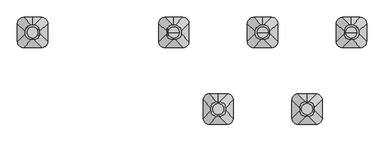
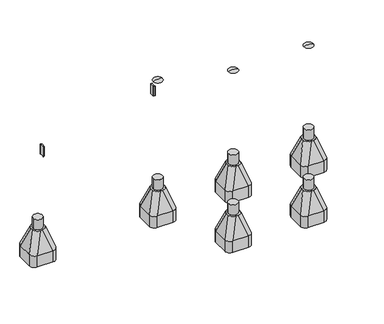
"""IFC4 building model written with IfcOpenShell, lengths in millimetres: furniture geometry."""

from ifc_helpers import new_model, si_unit, point, frame, frame_2d, origin, origin_2d, place, context, project, spatial, polyline, circle_curve, ellipse_curve, trimmed, segment, composite_curve, outline, extrude, source, transform, mapped, element, save
from ifc_brep_helpers import plane_surface, cylinder_surface, revolved_surface, extruded_surface, advanced_brep


def furniture_b865f878(model_context):
    return source(origin(), model_context, "Body", "SolidModel", [
        extrude(outline(composite_curve([segment(trimmed(circle_curve(frame_2d((-47.0222511, -30.3699948)), 1.0), [point((-46.18208, -29.8276734))], [point((-47.3642712, -31.3096874))], False, "CARTESIAN"), True, "CONTINUOUS"), segment(polyline([(-47.3642712, -31.3096874), (-64.0420201, -25.2394832)]), True, "CONTINUOUS"), segment(trimmed(circle_curve(frame_2d((-63.7, -24.2997906)), 1.0), [point((-64.0420201, -25.2394832))], [point((-64.7, -24.2997906))], False, "CARTESIAN"), True, "CONTINUOUS"), segment(polyline([(-64.7, -24.2997906), (-64.7, 24.2997943)]), True, "CONTINUOUS"), segment(trimmed(circle_curve(frame_2d((-63.7, 24.2997943)), 1.0), [point((-64.7, 24.2997943))], [point((-64.0420201, 25.2394869))], False, "CARTESIAN"), True, "CONTINUOUS"), segment(polyline([(-64.0420201, 25.2394869), (-47.3642712, 31.3096911)]), True, "CONTINUOUS"), segment(trimmed(circle_curve(frame_2d((-47.0222511, 30.3699985)), 1.0), [point((-47.3642712, 31.3096911))], [point((-46.18208, 29.8276771))], False, "CARTESIAN"), True, "CONTINUOUS"), segment(trimmed(circle_curve(frame_2d((0.0273324, 1.9e-06)), 55.0), [point((-46.18208, 29.8276771))], [point((-46.18208, -29.8276734))], True, "CARTESIAN"), True, "CONTINUOUS")], self_intersect=False)), frame((0.0, 0.0, 940.0), z_axis=(0.0, 0.0, 1.0), x_axis=(1.0, 0.0, 0.0)), (0.0, 0.0, 1.0), 120.0),
        extrude(outline(composite_curve([segment(trimmed(circle_curve(frame_2d((-1352.9777489, 30.3699948)), 1.0), [point((-1353.81792, 29.8276734))], [point((-1352.6357288, 31.3096874))], False, "CARTESIAN"), True, "CONTINUOUS"), segment(polyline([(-1352.6357288, 31.3096874), (-1335.9579799, 25.2394832)]), True, "CONTINUOUS"), segment(trimmed(circle_curve(frame_2d((-1336.3, 24.2997906)), 1.0), [point((-1335.9579799, 25.2394832))], [point((-1335.3, 24.2997906))], False, "CARTESIAN"), True, "CONTINUOUS"), segment(polyline([(-1335.3, 24.2997906), (-1335.3, -24.2997943)]), True, "CONTINUOUS"), segment(trimmed(circle_curve(frame_2d((-1336.3, -24.2997943)), 1.0), [point((-1335.3, -24.2997943))], [point((-1335.9579799, -25.2394869))], False, "CARTESIAN"), True, "CONTINUOUS"), segment(polyline([(-1335.9579799, -25.2394869), (-1352.6357288, -31.3096911)]), True, "CONTINUOUS"), segment(trimmed(circle_curve(frame_2d((-1352.9777489, -30.3699985)), 1.0), [point((-1352.6357288, -31.3096911))], [point((-1353.81792, -29.8276771))], False, "CARTESIAN"), True, "CONTINUOUS"), segment(trimmed(circle_curve(frame_2d((-1400.0273324, -1.9e-06)), 55.0), [point((-1353.81792, -29.8276771))], [point((-1353.81792, 29.8276734))], True, "CARTESIAN"), True, "CONTINUOUS")], self_intersect=False)), frame((0.0, 0.0, 640.0), z_axis=(0.0, 0.0, 1.0), x_axis=(1.0, 0.0, 0.0)), (0.0, 0.0, 1.0), 120.0),
        advanced_brep(
        [(1815.0, 0.0, 912.0), (1705.0, 0.0, 912.0), (1760.0, 0.0, 924.0246565), (1760.0, 0.0, 912.0)],
        [
            (0, 1, circle_curve(frame((1760.0, 0.0, 912.0), z_axis=(0.0, 0.0, 1.0), x_axis=(-1.0, 0.0, 0.0)), 55.0)),
            (1, 2, circle_curve(frame((1755.4549856, 0.0, 813.0177111), z_axis=(0.0, 1.0, 0.0), x_axis=(-1.0, 0.0, 0.0)), 111.0999509)),
            (2, 0, circle_curve(frame((1764.5450144, 0.0, 813.0177111), z_axis=(0.0, 1.0, 0.0), x_axis=(1.0, 0.0, 0.0)), 111.0999509)),
            (1, 0, circle_curve(frame((1760.0, 0.0, 912.0), z_axis=(0.0, 0.0, 1.0), x_axis=(-1.0, 0.0, 0.0)), 55.0)),
            (3, 1),
            (0, 3),
        ],
        [
            revolved_surface(trimmed(ellipse_curve(frame((1755.4549856, 0.0, 813.0177111), z_axis=(0.0, -1.0, 0.0), x_axis=(-1.0, 0.0, 0.0)), 111.0999509, 111.0999509), [point((1760.0, 0.0, 924.0246565))], [point((1705.0, 0.0, 912.0))], True, "CARTESIAN"), (1760.0, 0.0, 531.0), (0.0, 0.0, -1.0)),
            plane_surface(frame((1760.0, 0.0, 912.0), z_axis=(0.0, 0.0, -1.0), x_axis=(-1.0, 0.0, 0.0))),
        ],
        [
            (0, [[1, 2, 3]]),
            (0, [[4, -3, -2]]),
            (1, [[5, -1, 6]]),
            (1, [[-6, -4, -5]]),
        ],
    ),
        advanced_brep(
        [(935.0, 0.0, 912.0), (825.0, 0.0, 912.0), (880.0, 0.0, 924.0246565), (880.0, 0.0, 912.0)],
        [
            (0, 1, circle_curve(frame((880.0, 0.0, 912.0), z_axis=(0.0, 0.0, 1.0), x_axis=(-1.0, 0.0, 0.0)), 55.0)),
            (1, 2, circle_curve(frame((875.4549856, 0.0, 813.0177111), z_axis=(0.0, 1.0, 0.0), x_axis=(-1.0, 0.0, 0.0)), 111.0999509)),
            (2, 0, circle_curve(frame((884.5450144, 0.0, 813.0177111), z_axis=(0.0, 1.0, 0.0), x_axis=(1.0, 0.0, 0.0)), 111.0999509)),
            (1, 0, circle_curve(frame((880.0, 0.0, 912.0), z_axis=(0.0, 0.0, 1.0), x_axis=(-1.0, 0.0, 0.0)), 55.0)),
            (3, 1),
            (0, 3),
        ],
        [
            revolved_surface(trimmed(ellipse_curve(frame((875.4549856, 0.0, 813.0177111), z_axis=(0.0, -1.0, 0.0), x_axis=(-1.0, 0.0, 0.0)), 111.0999509, 111.0999509), [point((880.0, 0.0, 924.0246565))], [point((825.0, 0.0, 912.0))], True, "CARTESIAN"), (880.0, 0.0, 531.0), (0.0, 0.0, -1.0)),
            plane_surface(frame((880.0, 0.0, 912.0), z_axis=(0.0, 0.0, -1.0), x_axis=(-1.0, 0.0, 0.0))),
        ],
        [
            (0, [[1, 2, 3]]),
            (0, [[4, -3, -2]]),
            (1, [[5, -1, 6]]),
            (1, [[-6, -4, -5]]),
        ],
    ),
        advanced_brep(
        [(12.5, 72.4599432, -225.0), (0.0, 72.4599432, -225.0), (-12.5, 72.4599432, -225.0), (-72.5, 12.4599432, -225.0), (-72.5, -12.5400568, -225.0), (-12.5, -72.5400568, -225.0), (12.5, -72.5400568, -225.0), (72.5, -12.5400568, -225.0), (72.5, 12.4599432, -225.0), (90.0, 150.0, -460.0), (0.0, 150.0, -460.0), (-90.0, 150.0, -460.0), (-150.0, 90.0, -460.0), (-150.0, -90.0, -460.0), (-90.0, -150.0, -460.0), (90.0, -150.0, -460.0), (150.0, -90.0, -460.0), (150.0, 90.0, -460.0), (90.0, 150.0, -600.0), (150.0, 90.0, -600.0), (150.0, -90.0, -600.0), (90.0, -150.0, -600.0), (-90.0, -150.0, -600.0), (-150.0, -90.0, -600.0), (-150.0, 90.0, -600.0), (-90.0, 150.0, -600.0), (0.0, 150.0, -600.0)],
        [
            (0, 1),
            (1, 2),
            (2, 3, circle_curve(frame((-12.5, 12.4599432, -225.0), z_axis=(0.0, 0.0, 1.0), x_axis=(1.0, 0.0, 0.0)), 60.0)),
            (3, 4),
            (4, 5, circle_curve(frame((-12.5, -12.5400568, -225.0), z_axis=(0.0, 0.0, 1.0), x_axis=(1.0, 0.0, 0.0)), 60.0)),
            (5, 6),
            (6, 7, circle_curve(frame((12.5, -12.5400568, -225.0), z_axis=(0.0, 0.0, 1.0), x_axis=(1.0, 0.0, 0.0)), 60.0)),
            (7, 8),
            (8, 0, circle_curve(frame((12.5, 12.4599432, -225.0), z_axis=(0.0, 0.0, 1.0), x_axis=(1.0, 0.0, 0.0)), 60.0)),
            (0, 9),
            (9, 10),
            (10, 1),
            (10, 11),
            (11, 2),
            (11, 12, circle_curve(frame((-90.0, 90.0, -460.0), z_axis=(0.0, 0.0, 1.0), x_axis=(1.0, 0.0, 0.0)), 60.0)),
            (12, 3),
            (12, 13),
            (13, 4),
            (13, 14, circle_curve(frame((-90.0, -90.0, -460.0), z_axis=(0.0, 0.0, 1.0), x_axis=(1.0, 0.0, 0.0)), 60.0)),
            (14, 5),
            (14, 15),
            (15, 6),
            (15, 16, circle_curve(frame((90.0, -90.0, -460.0), z_axis=(0.0, 0.0, 1.0), x_axis=(1.0, 0.0, 0.0)), 60.0)),
            (16, 7),
            (16, 17),
            (17, 8),
            (17, 9, circle_curve(frame((90.0, 90.0, -460.0), z_axis=(0.0, 0.0, 1.0), x_axis=(1.0, 0.0, 0.0)), 60.0)),
            (18, 19, circle_curve(frame((90.0, 90.0, -600.0), z_axis=(0.0, 0.0, -1.0), x_axis=(1.0, 0.0, 0.0)), 60.0)),
            (19, 20),
            (20, 21, circle_curve(frame((90.0, -90.0, -600.0), z_axis=(0.0, 0.0, -1.0), x_axis=(1.0, 0.0, 0.0)), 60.0)),
            (21, 22),
            (22, 23, circle_curve(frame((-90.0, -90.0, -600.0), z_axis=(0.0, 0.0, -1.0), x_axis=(1.0, 0.0, 0.0)), 60.0)),
            (23, 24),
            (24, 25, circle_curve(frame((-90.0, 90.0, -600.0), z_axis=(0.0, 0.0, -1.0), x_axis=(1.0, 0.0, 0.0)), 60.0)),
            (25, 26),
            (26, 18),
            (26, 10),
            (9, 18),
            (25, 11),
            (23, 13),
            (12, 24),
            (21, 15),
            (14, 22),
            (19, 17),
            (16, 20),
        ],
        [
            plane_surface(frame((0.0, 8.0154988, -225.0), z_axis=(0.0, 0.0, 1.0), x_axis=(-1.0, 0.0, 0.0))),
            plane_surface(frame((6.25, 72.4599432, -225.0), z_axis=(0.0, 0.9496406059136844, 0.3133412191204512), x_axis=(1.0, 0.0, 0.0))),
            plane_surface(frame((-6.25, 72.4599432, -225.0), z_axis=(0.0, 0.9496406059136843, 0.3133412191204512), x_axis=(1.0, 0.0, 0.0))),
            extruded_surface(trimmed(circle_curve(frame((-12.5, 12.4599432, -225.0), z_axis=(0.0, 0.0, -1.0), x_axis=(1.0, 0.0, 0.0)), 60.0), [point((-72.5, 12.4599432, -225.0))], [point((-12.5, 72.4599432, -225.0))], True, "CARTESIAN"), (-77.5, 77.5400568, -235.0), 259.3139225119763),
            plane_surface(frame((-72.5, -0.0400568, -225.0), z_axis=(-0.9496887635303409, 0.0, 0.31319523052596476), x_axis=(0.0, 1.0, 0.0))),
            extruded_surface(trimmed(circle_curve(frame((-12.5, -12.5400568, -225.0), z_axis=(0.0, 0.0, -1.0), x_axis=(1.0, 0.0, 0.0)), 60.0), [point((-12.5, -72.5400568, -225.0))], [point((-72.5, -12.5400568, -225.0))], True, "CARTESIAN"), (-77.5, -77.4599432, -235.0), 259.2899782107809),
            plane_surface(frame((0.0, -72.5400568, -225.0), z_axis=(0.0, -0.9497369035840961, 0.3130492197250991), x_axis=(-1.0, 0.0, 0.0))),
            extruded_surface(trimmed(circle_curve(frame((12.5, -12.5400568, -225.0), z_axis=(0.0, 0.0, -1.0), x_axis=(1.0, 0.0, 0.0)), 60.0), [point((72.5, -12.5400568, -225.0))], [point((12.5, -72.5400568, -225.0))], True, "CARTESIAN"), (77.5, -77.4599432, -235.0), 259.2899782107809),
            plane_surface(frame((72.5, -0.0400568, -225.0), z_axis=(0.9496887635303416, 0.0, 0.3131952305259627), x_axis=(0.0, -1.0, 0.0))),
            extruded_surface(trimmed(circle_curve(frame((12.5, 12.4599432, -225.0), z_axis=(0.0, 0.0, -1.0), x_axis=(1.0, 0.0, 0.0)), 60.0), [point((12.5, 72.4599432, -225.0))], [point((72.5, 12.4599432, -225.0))], True, "CARTESIAN"), (77.5, 77.5400568, -235.0), 259.3139225119763),
            plane_surface(frame((0.0, 150.0, -600.0), z_axis=(0.0, 0.0, -1.0), x_axis=(1.0, 0.0, 0.0))),
            plane_surface(frame((90.0, 150.0, -460.0), z_axis=(0.0, 1.0, 0.0), x_axis=(0.0, 0.0, -1.0))),
            plane_surface(frame((0.0, 150.0, -460.0), z_axis=(0.0, 1.0, 0.0), x_axis=(0.0, 0.0, -1.0))),
            plane_surface(frame((-150.0, 90.0, -460.0), z_axis=(-1.0, 0.0, 0.0), x_axis=(0.0, 0.0, -1.0))),
            plane_surface(frame((-90.0, -150.0, -460.0), z_axis=(0.0, -1.0, 0.0), x_axis=(0.0, 0.0, -1.0))),
            plane_surface(frame((150.0, -90.0, -460.0), z_axis=(1.0, 0.0, 0.0), x_axis=(0.0, 0.0, -1.0))),
            cylinder_surface(frame((-90.0, 90.0, -600.0), z_axis=(0.0, 0.0, 1.0), x_axis=(1.0, 0.0, 0.0)), 60.0),
            cylinder_surface(frame((-90.0, -90.0, -600.0), z_axis=(0.0, 0.0, 1.0), x_axis=(1.0, 0.0, 0.0)), 60.0),
            cylinder_surface(frame((90.0, -90.0, -600.0), z_axis=(0.0, 0.0, 1.0), x_axis=(1.0, 0.0, 0.0)), 60.0),
            cylinder_surface(frame((90.0, 90.0, -600.0), z_axis=(0.0, 0.0, 1.0), x_axis=(1.0, 0.0, 0.0)), 60.0),
        ],
        [
            (0, [[1, 2, 3, 4, 5, 6, 7, 8, 9]]),
            (1, [[-1, 10, 11, 12]]),
            (2, [[-2, -12, 13, 14]]),
            (3, [[-3, -14, 15, 16]]),
            (4, [[-4, -16, 17, 18]]),
            (5, [[-5, -18, 19, 20]]),
            (6, [[-6, -20, 21, 22]]),
            (7, [[-7, -22, 23, 24]]),
            (8, [[-8, -24, 25, 26]]),
            (9, [[-9, -26, 27, -10]]),
            (10, [[28, 29, 30, 31, 32, 33, 34, 35, 36]]),
            (11, [[-36, 37, -11, 38]]),
            (12, [[-35, 39, -13, -37]]),
            (13, [[-33, 40, -17, 41]]),
            (14, [[-31, 42, -21, 43]]),
            (15, [[-29, 44, -25, 45]]),
            (16, [[-34, -41, -15, -39]]),
            (17, [[-32, -43, -19, -40]]),
            (18, [[-30, -45, -23, -42]]),
            (19, [[-28, -38, -27, -44]]),
        ],
    ),
        extrude(outline(composite_curve([segment(trimmed(circle_curve(origin_2d(), 55.0), [point((-55.0, 0.0))], [point((55.0, 0.0))], False, "CARTESIAN"), True, "CONTINUOUS"), segment(trimmed(circle_curve(origin_2d(), 55.0), [point((55.0, 0.0))], [point((-55.0, 0.0))], False, "CARTESIAN"), True, "CONTINUOUS")], self_intersect=False)), frame((0.0, 0.0, -600.0), z_axis=(0.0, 0.0, 1.0), x_axis=(1.0, 0.0, 0.0)), (0.0, 0.0, 1.0), 500.0),
        advanced_brep(
        [(-1387.5, 72.4599432, -225.0), (-1400.0, 72.4599432, -225.0), (-1412.5, 72.4599432, -225.0), (-1472.5, 12.4599432, -225.0), (-1472.5, -12.5400568, -225.0), (-1412.5, -72.5400568, -225.0), (-1387.5, -72.5400568, -225.0), (-1327.5, -12.5400568, -225.0), (-1327.5, 12.4599432, -225.0), (-1310.0, 150.0, -460.0), (-1400.0, 150.0, -460.0), (-1490.0, 150.0, -460.0), (-1550.0, 90.0, -460.0), (-1550.0, -90.0, -460.0), (-1490.0, -150.0, -460.0), (-1310.0, -150.0, -460.0), (-1250.0, -90.0, -460.0), (-1250.0, 90.0, -460.0), (-1310.0, 150.0, -600.0), (-1250.0, 90.0, -600.0), (-1250.0, -90.0, -600.0), (-1310.0, -150.0, -600.0), (-1490.0, -150.0, -600.0), (-1550.0, -90.0, -600.0), (-1550.0, 90.0, -600.0), (-1490.0, 150.0, -600.0), (-1400.0, 150.0, -600.0)],
        [
            (0, 1),
            (1, 2),
            (2, 3, circle_curve(frame((-1412.5, 12.4599432, -225.0), z_axis=(0.0, 0.0, 1.0), x_axis=(1.0, 0.0, 0.0)), 60.0)),
            (3, 4),
            (4, 5, circle_curve(frame((-1412.5, -12.5400568, -225.0), z_axis=(0.0, 0.0, 1.0), x_axis=(1.0, 0.0, 0.0)), 60.0)),
            (5, 6),
            (6, 7, circle_curve(frame((-1387.5, -12.5400568, -225.0), z_axis=(0.0, 0.0, 1.0), x_axis=(1.0, 0.0, 0.0)), 60.0)),
            (7, 8),
            (8, 0, circle_curve(frame((-1387.5, 12.4599432, -225.0), z_axis=(0.0, 0.0, 1.0), x_axis=(1.0, 0.0, 0.0)), 60.0)),
            (0, 9),
            (9, 10),
            (10, 1),
            (10, 11),
            (11, 2),
            (11, 12, circle_curve(frame((-1490.0, 90.0, -460.0), z_axis=(0.0, 0.0, 1.0), x_axis=(1.0, 0.0, 0.0)), 60.0)),
            (12, 3),
            (12, 13),
            (13, 4),
            (13, 14, circle_curve(frame((-1490.0, -90.0, -460.0), z_axis=(0.0, 0.0, 1.0), x_axis=(1.0, 0.0, 0.0)), 60.0)),
            (14, 5),
            (14, 15),
            (15, 6),
            (15, 16, circle_curve(frame((-1310.0, -90.0, -460.0), z_axis=(0.0, 0.0, 1.0), x_axis=(1.0, 0.0, 0.0)), 60.0)),
            (16, 7),
            (16, 17),
            (17, 8),
            (17, 9, circle_curve(frame((-1310.0, 90.0, -460.0), z_axis=(0.0, 0.0, 1.0), x_axis=(1.0, 0.0, 0.0)), 60.0)),
            (18, 19, circle_curve(frame((-1310.0, 90.0, -600.0), z_axis=(0.0, 0.0, -1.0), x_axis=(1.0, 0.0, 0.0)), 60.0)),
            (19, 20),
            (20, 21, circle_curve(frame((-1310.0, -90.0, -600.0), z_axis=(0.0, 0.0, -1.0), x_axis=(1.0, 0.0, 0.0)), 60.0)),
            (21, 22),
            (22, 23, circle_curve(frame((-1490.0, -90.0, -600.0), z_axis=(0.0, 0.0, -1.0), x_axis=(1.0, 0.0, 0.0)), 60.0)),
            (23, 24),
            (24, 25, circle_curve(frame((-1490.0, 90.0, -600.0), z_axis=(0.0, 0.0, -1.0), x_axis=(1.0, 0.0, 0.0)), 60.0)),
            (25, 26),
            (26, 18),
            (26, 10),
            (9, 18),
            (25, 11),
            (23, 13),
            (12, 24),
            (21, 15),
            (14, 22),
            (19, 17),
            (16, 20),
        ],
        [
            plane_surface(frame((-1400.0, 8.0154988, -225.0), z_axis=(0.0, 0.0, 1.0), x_axis=(-1.0, 0.0, 0.0))),
            plane_surface(frame((-1393.75, 72.4599432, -225.0), z_axis=(0.0, 0.9496406059136844, 0.3133412191204512), x_axis=(1.0, 0.0, 0.0))),
            plane_surface(frame((-1406.25, 72.4599432, -225.0), z_axis=(0.0, 0.9496406059136843, 0.3133412191204512), x_axis=(1.0, 0.0, 0.0))),
            extruded_surface(trimmed(circle_curve(frame((-1412.5, 12.4599432, -225.0), z_axis=(0.0, 0.0, -1.0), x_axis=(1.0, 0.0, 0.0)), 60.0), [point((-1472.5, 12.4599432, -225.0))], [point((-1412.5, 72.4599432, -225.0))], True, "CARTESIAN"), (-77.5, 77.5400568, -235.0), 259.3139225119763),
            plane_surface(frame((-1472.5, -0.0400568, -225.0), z_axis=(-0.9496887635303409, 0.0, 0.31319523052596476), x_axis=(0.0, 1.0, 0.0))),
            extruded_surface(trimmed(circle_curve(frame((-1412.5, -12.5400568, -225.0), z_axis=(0.0, 0.0, -1.0), x_axis=(1.0, 0.0, 0.0)), 60.0), [point((-1412.5, -72.5400568, -225.0))], [point((-1472.5, -12.5400568, -225.0))], True, "CARTESIAN"), (-77.5, -77.4599432, -235.0), 259.2899782107809),
            plane_surface(frame((-1400.0, -72.5400568, -225.0), z_axis=(0.0, -0.9497369035840961, 0.3130492197250991), x_axis=(-1.0, 0.0, 0.0))),
            extruded_surface(trimmed(circle_curve(frame((-1387.5, -12.5400568, -225.0), z_axis=(0.0, 0.0, -1.0), x_axis=(1.0, 0.0, 0.0)), 60.0), [point((-1327.5, -12.5400568, -225.0))], [point((-1387.5, -72.5400568, -225.0))], True, "CARTESIAN"), (77.5, -77.4599432, -235.0), 259.2899782107809),
            plane_surface(frame((-1327.5, -0.0400568, -225.0), z_axis=(0.9496887635303416, 0.0, 0.3131952305259627), x_axis=(0.0, -1.0, 0.0))),
            extruded_surface(trimmed(circle_curve(frame((-1387.5, 12.4599432, -225.0), z_axis=(0.0, 0.0, -1.0), x_axis=(1.0, 0.0, 0.0)), 60.0), [point((-1387.5, 72.4599432, -225.0))], [point((-1327.5, 12.4599432, -225.0))], True, "CARTESIAN"), (77.5, 77.5400568, -235.0), 259.3139225119763),
            plane_surface(frame((-1400.0, 150.0, -600.0), z_axis=(0.0, 0.0, -1.0), x_axis=(1.0, 0.0, 0.0))),
            plane_surface(frame((-1310.0, 150.0, -460.0), z_axis=(0.0, 1.0, 0.0), x_axis=(0.0, 0.0, -1.0))),
            plane_surface(frame((-1400.0, 150.0, -460.0), z_axis=(0.0, 1.0, 0.0), x_axis=(0.0, 0.0, -1.0))),
            plane_surface(frame((-1550.0, 90.0, -460.0), z_axis=(-1.0, 0.0, 0.0), x_axis=(0.0, 0.0, -1.0))),
            plane_surface(frame((-1490.0, -150.0, -460.0), z_axis=(0.0, -1.0, 0.0), x_axis=(0.0, 0.0, -1.0))),
            plane_surface(frame((-1250.0, -90.0, -460.0), z_axis=(1.0, 0.0, 0.0), x_axis=(0.0, 0.0, -1.0))),
            cylinder_surface(frame((-1490.0, 90.0, -600.0), z_axis=(0.0, 0.0, 1.0), x_axis=(1.0, 0.0, 0.0)), 60.0),
            cylinder_surface(frame((-1490.0, -90.0, -600.0), z_axis=(0.0, 0.0, 1.0), x_axis=(1.0, 0.0, 0.0)), 60.0),
            cylinder_surface(frame((-1310.0, -90.0, -600.0), z_axis=(0.0, 0.0, 1.0), x_axis=(1.0, 0.0, 0.0)), 60.0),
            cylinder_surface(frame((-1310.0, 90.0, -600.0), z_axis=(0.0, 0.0, 1.0), x_axis=(1.0, 0.0, 0.0)), 60.0),
        ],
        [
            (0, [[1, 2, 3, 4, 5, 6, 7, 8, 9]]),
            (1, [[-1, 10, 11, 12]]),
            (2, [[-2, -12, 13, 14]]),
            (3, [[-3, -14, 15, 16]]),
            (4, [[-4, -16, 17, 18]]),
            (5, [[-5, -18, 19, 20]]),
            (6, [[-6, -20, 21, 22]]),
            (7, [[-7, -22, 23, 24]]),
            (8, [[-8, -24, 25, 26]]),
            (9, [[-9, -26, 27, -10]]),
            (10, [[28, 29, 30, 31, 32, 33, 34, 35, 36]]),
            (11, [[-36, 37, -11, 38]]),
            (12, [[-35, 39, -13, -37]]),
            (13, [[-33, 40, -17, 41]]),
            (14, [[-31, 42, -21, 43]]),
            (15, [[-29, 44, -25, 45]]),
            (16, [[-34, -41, -15, -39]]),
            (17, [[-32, -43, -19, -40]]),
            (18, [[-30, -45, -23, -42]]),
            (19, [[-28, -38, -27, -44]]),
        ],
    ),
        extrude(outline(composite_curve([segment(trimmed(circle_curve(frame_2d((-1400.0, 0.0)), 55.0), [point((-1455.0, 0.0))], [point((-1345.0, 0.0))], False, "CARTESIAN"), True, "CONTINUOUS"), segment(trimmed(circle_curve(frame_2d((-1400.0, 0.0)), 55.0), [point((-1345.0, 0.0))], [point((-1455.0, 0.0))], False, "CARTESIAN"), True, "CONTINUOUS")], self_intersect=False)), frame((0.0, 0.0, -600.0), z_axis=(0.0, 0.0, 1.0), x_axis=(1.0, 0.0, 0.0)), (0.0, 0.0, 1.0), 500.0),
        advanced_brep(
        [(1772.5, 72.4599432, -225.0), (1760.0, 72.4599432, -225.0), (1747.5, 72.4599432, -225.0), (1687.5, 12.4599432, -225.0), (1687.5, -12.5400568, -225.0), (1747.5, -72.5400568, -225.0), (1772.5, -72.5400568, -225.0), (1832.5, -12.5400568, -225.0), (1832.5, 12.4599432, -225.0), (1850.0, 150.0, -460.0), (1760.0, 150.0, -460.0), (1670.0, 150.0, -460.0), (1610.0, 90.0, -460.0), (1610.0, -90.0, -460.0), (1670.0, -150.0, -460.0), (1850.0, -150.0, -460.0), (1910.0, -90.0, -460.0), (1910.0, 90.0, -460.0), (1850.0, 150.0, -600.0), (1910.0, 90.0, -600.0), (1910.0, -90.0, -600.0), (1850.0, -150.0, -600.0), (1670.0, -150.0, -600.0), (1610.0, -90.0, -600.0), (1610.0, 90.0, -600.0), (1670.0, 150.0, -600.0), (1760.0, 150.0, -600.0)],
        [
            (0, 1),
            (1, 2),
            (2, 3, circle_curve(frame((1747.5, 12.4599432, -225.0), z_axis=(0.0, 0.0, 1.0), x_axis=(1.0, 0.0, 0.0)), 60.0)),
            (3, 4),
            (4, 5, circle_curve(frame((1747.5, -12.5400568, -225.0), z_axis=(0.0, 0.0, 1.0), x_axis=(1.0, 0.0, 0.0)), 60.0)),
            (5, 6),
            (6, 7, circle_curve(frame((1772.5, -12.5400568, -225.0), z_axis=(0.0, 0.0, 1.0), x_axis=(1.0, 0.0, 0.0)), 60.0)),
            (7, 8),
            (8, 0, circle_curve(frame((1772.5, 12.4599432, -225.0), z_axis=(0.0, 0.0, 1.0), x_axis=(1.0, 0.0, 0.0)), 60.0)),
            (0, 9),
            (9, 10),
            (10, 1),
            (10, 11),
            (11, 2),
            (11, 12, circle_curve(frame((1670.0, 90.0, -460.0), z_axis=(0.0, 0.0, 1.0), x_axis=(1.0, 0.0, 0.0)), 60.0)),
            (12, 3),
            (12, 13),
            (13, 4),
            (13, 14, circle_curve(frame((1670.0, -90.0, -460.0), z_axis=(0.0, 0.0, 1.0), x_axis=(1.0, 0.0, 0.0)), 60.0)),
            (14, 5),
            (14, 15),
            (15, 6),
            (15, 16, circle_curve(frame((1850.0, -90.0, -460.0), z_axis=(0.0, 0.0, 1.0), x_axis=(1.0, 0.0, 0.0)), 60.0)),
            (16, 7),
            (16, 17),
            (17, 8),
            (17, 9, circle_curve(frame((1850.0, 90.0, -460.0), z_axis=(0.0, 0.0, 1.0), x_axis=(1.0, 0.0, 0.0)), 60.0)),
            (18, 19, circle_curve(frame((1850.0, 90.0, -600.0), z_axis=(0.0, 0.0, -1.0), x_axis=(1.0, 0.0, 0.0)), 60.0)),
            (19, 20),
            (20, 21, circle_curve(frame((1850.0, -90.0, -600.0), z_axis=(0.0, 0.0, -1.0), x_axis=(1.0, 0.0, 0.0)), 60.0)),
            (21, 22),
            (22, 23, circle_curve(frame((1670.0, -90.0, -600.0), z_axis=(0.0, 0.0, -1.0), x_axis=(1.0, 0.0, 0.0)), 60.0)),
            (23, 24),
            (24, 25, circle_curve(frame((1670.0, 90.0, -600.0), z_axis=(0.0, 0.0, -1.0), x_axis=(1.0, 0.0, 0.0)), 60.0)),
            (25, 26),
            (26, 18),
            (26, 10),
            (9, 18),
            (25, 11),
            (23, 13),
            (12, 24),
            (21, 15),
            (14, 22),
            (19, 17),
            (16, 20),
        ],
        [
            plane_surface(frame((1760.0, 8.0154988, -225.0), z_axis=(0.0, 0.0, 1.0), x_axis=(-1.0, 0.0, 0.0))),
            plane_surface(frame((1766.25, 72.4599432, -225.0), z_axis=(0.0, 0.9496406059136844, 0.3133412191204512), x_axis=(1.0, 0.0, 0.0))),
            plane_surface(frame((1753.75, 72.4599432, -225.0), z_axis=(0.0, 0.9496406059136843, 0.3133412191204512), x_axis=(1.0, 0.0, 0.0))),
            extruded_surface(trimmed(circle_curve(frame((1747.5, 12.4599432, -225.0), z_axis=(0.0, 0.0, -1.0), x_axis=(1.0, 0.0, 0.0)), 60.0), [point((1687.5, 12.4599432, -225.0))], [point((1747.5, 72.4599432, -225.0))], True, "CARTESIAN"), (-77.5, 77.5400568, -235.0), 259.3139225119763),
            plane_surface(frame((1687.5, -0.0400568, -225.0), z_axis=(-0.9496887635303409, 0.0, 0.31319523052596476), x_axis=(0.0, 1.0, 0.0))),
            extruded_surface(trimmed(circle_curve(frame((1747.5, -12.5400568, -225.0), z_axis=(0.0, 0.0, -1.0), x_axis=(1.0, 0.0, 0.0)), 60.0), [point((1747.5, -72.5400568, -225.0))], [point((1687.5, -12.5400568, -225.0))], True, "CARTESIAN"), (-77.5, -77.4599432, -235.0), 259.2899782107809),
            plane_surface(frame((1760.0, -72.5400568, -225.0), z_axis=(0.0, -0.9497369035840961, 0.3130492197250991), x_axis=(-1.0, 0.0, 0.0))),
            extruded_surface(trimmed(circle_curve(frame((1772.5, -12.5400568, -225.0), z_axis=(0.0, 0.0, -1.0), x_axis=(1.0, 0.0, 0.0)), 60.0), [point((1832.5, -12.5400568, -225.0))], [point((1772.5, -72.5400568, -225.0))], True, "CARTESIAN"), (77.5, -77.4599432, -235.0), 259.2899782107809),
            plane_surface(frame((1832.5, -0.0400568, -225.0), z_axis=(0.9496887635303416, 0.0, 0.3131952305259627), x_axis=(0.0, -1.0, 0.0))),
            extruded_surface(trimmed(circle_curve(frame((1772.5, 12.4599432, -225.0), z_axis=(0.0, 0.0, -1.0), x_axis=(1.0, 0.0, 0.0)), 60.0), [point((1772.5, 72.4599432, -225.0))], [point((1832.5, 12.4599432, -225.0))], True, "CARTESIAN"), (77.5, 77.5400568, -235.0), 259.3139225119763),
            plane_surface(frame((1760.0, 150.0, -600.0), z_axis=(0.0, 0.0, -1.0), x_axis=(1.0, 0.0, 0.0))),
            plane_surface(frame((1850.0, 150.0, -460.0), z_axis=(0.0, 1.0, 0.0), x_axis=(0.0, 0.0, -1.0))),
            plane_surface(frame((1760.0, 150.0, -460.0), z_axis=(0.0, 1.0, 0.0), x_axis=(0.0, 0.0, -1.0))),
            plane_surface(frame((1610.0, 90.0, -460.0), z_axis=(-1.0, 0.0, 0.0), x_axis=(0.0, 0.0, -1.0))),
            plane_surface(frame((1670.0, -150.0, -460.0), z_axis=(0.0, -1.0, 0.0), x_axis=(0.0, 0.0, -1.0))),
            plane_surface(frame((1910.0, -90.0, -460.0), z_axis=(1.0, 0.0, 0.0), x_axis=(0.0, 0.0, -1.0))),
            cylinder_surface(frame((1670.0, 90.0, -600.0), z_axis=(0.0, 0.0, 1.0), x_axis=(1.0, 0.0, 0.0)), 60.0),
            cylinder_surface(frame((1670.0, -90.0, -600.0), z_axis=(0.0, 0.0, 1.0), x_axis=(1.0, 0.0, 0.0)), 60.0),
            cylinder_surface(frame((1850.0, -90.0, -600.0), z_axis=(0.0, 0.0, 1.0), x_axis=(1.0, 0.0, 0.0)), 60.0),
            cylinder_surface(frame((1850.0, 90.0, -600.0), z_axis=(0.0, 0.0, 1.0), x_axis=(1.0, 0.0, 0.0)), 60.0),
        ],
        [
            (0, [[1, 2, 3, 4, 5, 6, 7, 8, 9]]),
            (1, [[-1, 10, 11, 12]]),
            (2, [[-2, -12, 13, 14]]),
            (3, [[-3, -14, 15, 16]]),
            (4, [[-4, -16, 17, 18]]),
            (5, [[-5, -18, 19, 20]]),
            (6, [[-6, -20, 21, 22]]),
            (7, [[-7, -22, 23, 24]]),
            (8, [[-8, -24, 25, 26]]),
            (9, [[-9, -26, 27, -10]]),
            (10, [[28, 29, 30, 31, 32, 33, 34, 35, 36]]),
            (11, [[-36, 37, -11, 38]]),
            (12, [[-35, 39, -13, -37]]),
            (13, [[-33, 40, -17, 41]]),
            (14, [[-31, 42, -21, 43]]),
            (15, [[-29, 44, -25, 45]]),
            (16, [[-34, -41, -15, -39]]),
            (17, [[-32, -43, -19, -40]]),
            (18, [[-30, -45, -23, -42]]),
            (19, [[-28, -38, -27, -44]]),
        ],
    ),
        extrude(outline(composite_curve([segment(trimmed(circle_curve(frame_2d((1760.0, 0.0)), 55.0), [point((1705.0, 0.0))], [point((1815.0, 0.0))], False, "CARTESIAN"), True, "CONTINUOUS"), segment(trimmed(circle_curve(frame_2d((1760.0, 0.0)), 55.0), [point((1815.0, 0.0))], [point((1705.0, 0.0))], False, "CARTESIAN"), True, "CONTINUOUS")], self_intersect=False)), frame((0.0, 0.0, -600.0), z_axis=(0.0, 0.0, 1.0), x_axis=(1.0, 0.0, 0.0)), (0.0, 0.0, 1.0), 500.0),
        advanced_brep(
        [(1332.5, -689.5400568, -225.0), (1320.0, -689.5400568, -225.0), (1307.5, -689.5400568, -225.0), (1247.5, -749.5400568, -225.0), (1247.5, -774.5400568, -225.0), (1307.5, -834.5400568, -225.0), (1332.5, -834.5400568, -225.0), (1392.5, -774.5400568, -225.0), (1392.5, -749.5400568, -225.0), (1410.0, -612.0, -460.0), (1320.0, -612.0, -460.0), (1230.0, -612.0, -460.0), (1170.0, -672.0, -460.0), (1170.0, -852.0, -460.0), (1230.0, -912.0, -460.0), (1410.0, -912.0, -460.0), (1470.0, -852.0, -460.0), (1470.0, -672.0, -460.0), (1410.0, -612.0, -600.0), (1470.0, -672.0, -600.0), (1470.0, -852.0, -600.0), (1410.0, -912.0, -600.0), (1230.0, -912.0, -600.0), (1170.0, -852.0, -600.0), (1170.0, -672.0, -600.0), (1230.0, -612.0, -600.0), (1320.0, -612.0, -600.0)],
        [
            (0, 1),
            (1, 2),
            (2, 3, circle_curve(frame((1307.5, -749.5400568, -225.0), z_axis=(0.0, 0.0, 1.0), x_axis=(1.0, 0.0, 0.0)), 60.0)),
            (3, 4),
            (4, 5, circle_curve(frame((1307.5, -774.5400568, -225.0), z_axis=(0.0, 0.0, 1.0), x_axis=(1.0, 0.0, 0.0)), 60.0)),
            (5, 6),
            (6, 7, circle_curve(frame((1332.5, -774.5400568, -225.0), z_axis=(0.0, 0.0, 1.0), x_axis=(1.0, 0.0, 0.0)), 60.0)),
            (7, 8),
            (8, 0, circle_curve(frame((1332.5, -749.5400568, -225.0), z_axis=(0.0, 0.0, 1.0), x_axis=(1.0, 0.0, 0.0)), 60.0)),
            (0, 9),
            (9, 10),
            (10, 1),
            (10, 11),
            (11, 2),
            (11, 12, circle_curve(frame((1230.0, -672.0, -460.0), z_axis=(0.0, 0.0, 1.0), x_axis=(1.0, 0.0, 0.0)), 60.0)),
            (12, 3),
            (12, 13),
            (13, 4),
            (13, 14, circle_curve(frame((1230.0, -852.0, -460.0), z_axis=(0.0, 0.0, 1.0), x_axis=(1.0, 0.0, 0.0)), 60.0)),
            (14, 5),
            (14, 15),
            (15, 6),
            (15, 16, circle_curve(frame((1410.0, -852.0, -460.0), z_axis=(0.0, 0.0, 1.0), x_axis=(1.0, 0.0, 0.0)), 60.0)),
            (16, 7),
            (16, 17),
            (17, 8),
            (17, 9, circle_curve(frame((1410.0, -672.0, -460.0), z_axis=(0.0, 0.0, 1.0), x_axis=(1.0, 0.0, 0.0)), 60.0)),
            (18, 19, circle_curve(frame((1410.0, -672.0, -600.0), z_axis=(0.0, 0.0, -1.0), x_axis=(1.0, 0.0, 0.0)), 60.0)),
            (19, 20),
            (20, 21, circle_curve(frame((1410.0, -852.0, -600.0), z_axis=(0.0, 0.0, -1.0), x_axis=(1.0, 0.0, 0.0)), 60.0)),
            (21, 22),
            (22, 23, circle_curve(frame((1230.0, -852.0, -600.0), z_axis=(0.0, 0.0, -1.0), x_axis=(1.0, 0.0, 0.0)), 60.0)),
            (23, 24),
            (24, 25, circle_curve(frame((1230.0, -672.0, -600.0), z_axis=(0.0, 0.0, -1.0), x_axis=(1.0, 0.0, 0.0)), 60.0)),
            (25, 26),
            (26, 18),
            (26, 10),
            (9, 18),
            (25, 11),
            (23, 13),
            (12, 24),
            (21, 15),
            (14, 22),
            (19, 17),
            (16, 20),
        ],
        [
            plane_surface(frame((1320.0, -753.9845012, -225.0), z_axis=(0.0, 0.0, 1.0), x_axis=(-1.0, 0.0, 0.0))),
            plane_surface(frame((1326.25, -689.5400568, -225.0), z_axis=(0.0, 0.9496406059136844, 0.3133412191204512), x_axis=(1.0, 0.0, 0.0))),
            plane_surface(frame((1313.75, -689.5400568, -225.0), z_axis=(0.0, 0.9496406059136843, 0.3133412191204512), x_axis=(1.0, 0.0, 0.0))),
            extruded_surface(trimmed(circle_curve(frame((1307.5, -749.5400568, -225.0), z_axis=(0.0, 0.0, -1.0), x_axis=(1.0, 0.0, 0.0)), 60.0), [point((1247.5, -749.5400568, -225.0))], [point((1307.5, -689.5400568, -225.0))], True, "CARTESIAN"), (-77.5, 77.5400568, -235.0), 259.3139225119763),
            plane_surface(frame((1247.5, -762.0400568, -225.0), z_axis=(-0.9496887635303409, 0.0, 0.31319523052596476), x_axis=(0.0, 1.0, 0.0))),
            extruded_surface(trimmed(circle_curve(frame((1307.5, -774.5400568, -225.0), z_axis=(0.0, 0.0, -1.0), x_axis=(1.0, 0.0, 0.0)), 60.0), [point((1307.5, -834.5400568, -225.0))], [point((1247.5, -774.5400568, -225.0))], True, "CARTESIAN"), (-77.5, -77.4599432, -235.0), 259.2899782107809),
            plane_surface(frame((1320.0, -834.5400568, -225.0), z_axis=(0.0, -0.9497369035840961, 0.3130492197250991), x_axis=(-1.0, 0.0, 0.0))),
            extruded_surface(trimmed(circle_curve(frame((1332.5, -774.5400568, -225.0), z_axis=(0.0, 0.0, -1.0), x_axis=(1.0, 0.0, 0.0)), 60.0), [point((1392.5, -774.5400568, -225.0))], [point((1332.5, -834.5400568, -225.0))], True, "CARTESIAN"), (77.5, -77.4599432, -235.0), 259.2899782107809),
            plane_surface(frame((1392.5, -762.0400568, -225.0), z_axis=(0.9496887635303416, 0.0, 0.3131952305259627), x_axis=(0.0, -1.0, 0.0))),
            extruded_surface(trimmed(circle_curve(frame((1332.5, -749.5400568, -225.0), z_axis=(0.0, 0.0, -1.0), x_axis=(1.0, 0.0, 0.0)), 60.0), [point((1332.5, -689.5400568, -225.0))], [point((1392.5, -749.5400568, -225.0))], True, "CARTESIAN"), (77.5, 77.5400568, -235.0), 259.3139225119763),
            plane_surface(frame((1320.0, -612.0, -600.0), z_axis=(0.0, 0.0, -1.0), x_axis=(1.0, 0.0, 0.0))),
            plane_surface(frame((1410.0, -612.0, -460.0), z_axis=(0.0, 1.0, 0.0), x_axis=(0.0, 0.0, -1.0))),
            plane_surface(frame((1320.0, -612.0, -460.0), z_axis=(0.0, 1.0, 0.0), x_axis=(0.0, 0.0, -1.0))),
            plane_surface(frame((1170.0, -672.0, -460.0), z_axis=(-1.0, 0.0, 0.0), x_axis=(0.0, 0.0, -1.0))),
            plane_surface(frame((1230.0, -912.0, -460.0), z_axis=(0.0, -1.0, 0.0), x_axis=(0.0, 0.0, -1.0))),
            plane_surface(frame((1470.0, -852.0, -460.0), z_axis=(1.0, 0.0, 0.0), x_axis=(0.0, 0.0, -1.0))),
            cylinder_surface(frame((1230.0, -672.0, -600.0), z_axis=(0.0, 0.0, 1.0), x_axis=(1.0, 0.0, 0.0)), 60.0),
            cylinder_surface(frame((1230.0, -852.0, -600.0), z_axis=(0.0, 0.0, 1.0), x_axis=(1.0, 0.0, 0.0)), 60.0),
            cylinder_surface(frame((1410.0, -852.0, -600.0), z_axis=(0.0, 0.0, 1.0), x_axis=(1.0, 0.0, 0.0)), 60.0),
            cylinder_surface(frame((1410.0, -672.0, -600.0), z_axis=(0.0, 0.0, 1.0), x_axis=(1.0, 0.0, 0.0)), 60.0),
        ],
        [
            (0, [[1, 2, 3, 4, 5, 6, 7, 8, 9]]),
            (1, [[-1, 10, 11, 12]]),
            (2, [[-2, -12, 13, 14]]),
            (3, [[-3, -14, 15, 16]]),
            (4, [[-4, -16, 17, 18]]),
            (5, [[-5, -18, 19, 20]]),
            (6, [[-6, -20, 21, 22]]),
            (7, [[-7, -22, 23, 24]]),
            (8, [[-8, -24, 25, 26]]),
            (9, [[-9, -26, 27, -10]]),
            (10, [[28, 29, 30, 31, 32, 33, 34, 35, 36]]),
            (11, [[-36, 37, -11, 38]]),
            (12, [[-35, 39, -13, -37]]),
            (13, [[-33, 40, -17, 41]]),
            (14, [[-31, 42, -21, 43]]),
            (15, [[-29, 44, -25, 45]]),
            (16, [[-34, -41, -15, -39]]),
            (17, [[-32, -43, -19, -40]]),
            (18, [[-30, -45, -23, -42]]),
            (19, [[-28, -38, -27, -44]]),
        ],
    ),
        extrude(outline(composite_curve([segment(trimmed(circle_curve(frame_2d((1320.0, -762.0)), 55.0), [point((1265.0, -762.0))], [point((1375.0, -762.0))], False, "CARTESIAN"), True, "CONTINUOUS"), segment(trimmed(circle_curve(frame_2d((1320.0, -762.0)), 55.0), [point((1375.0, -762.0))], [point((1265.0, -762.0))], False, "CARTESIAN"), True, "CONTINUOUS")], self_intersect=False)), frame((0.0, 0.0, -600.0), z_axis=(0.0, 0.0, 1.0), x_axis=(1.0, 0.0, 0.0)), (0.0, 0.0, 1.0), 500.0),
        advanced_brep(
        [(452.5, -689.4104492, -225.0), (440.0, -689.4104492, -225.0), (427.5, -689.4104492, -225.0), (367.5, -749.4104492, -225.0), (367.5, -774.4104492, -225.0), (427.5, -834.4104492, -225.0), (452.5, -834.4104492, -225.0), (512.5, -774.4104492, -225.0), (512.5, -749.4104492, -225.0), (530.0, -611.8703924, -460.0), (440.0, -611.8703924, -460.0), (350.0, -611.8703924, -460.0), (290.0, -671.8703924, -460.0), (290.0, -851.8703924, -460.0), (350.0, -911.8703924, -460.0), (530.0, -911.8703924, -460.0), (590.0, -851.8703924, -460.0), (590.0, -671.8703924, -460.0), (530.0, -611.8703924, -600.0), (590.0, -671.8703924, -600.0), (590.0, -851.8703924, -600.0), (530.0, -911.8703924, -600.0), (350.0, -911.8703924, -600.0), (290.0, -851.8703924, -600.0), (290.0, -671.8703924, -600.0), (350.0, -611.8703924, -600.0), (440.0, -611.8703924, -600.0)],
        [
            (0, 1),
            (1, 2),
            (2, 3, circle_curve(frame((427.5, -749.4104492, -225.0), z_axis=(0.0, 0.0, 1.0), x_axis=(1.0, 0.0, 0.0)), 60.0)),
            (3, 4),
            (4, 5, circle_curve(frame((427.5, -774.4104492, -225.0), z_axis=(0.0, 0.0, 1.0), x_axis=(1.0, 0.0, 0.0)), 60.0)),
            (5, 6),
            (6, 7, circle_curve(frame((452.5, -774.4104492, -225.0), z_axis=(0.0, 0.0, 1.0), x_axis=(1.0, 0.0, 0.0)), 60.0)),
            (7, 8),
            (8, 0, circle_curve(frame((452.5, -749.4104492, -225.0), z_axis=(0.0, 0.0, 1.0), x_axis=(1.0, 0.0, 0.0)), 60.0)),
            (0, 9),
            (9, 10),
            (10, 1),
            (10, 11),
            (11, 2),
            (11, 12, circle_curve(frame((350.0, -671.8703924, -460.0), z_axis=(0.0, 0.0, 1.0), x_axis=(1.0, 0.0, 0.0)), 60.0)),
            (12, 3),
            (12, 13),
            (13, 4),
            (13, 14, circle_curve(frame((350.0, -851.8703924, -460.0), z_axis=(0.0, 0.0, 1.0), x_axis=(1.0, 0.0, 0.0)), 60.0)),
            (14, 5),
            (14, 15),
            (15, 6),
            (15, 16, circle_curve(frame((530.0, -851.8703924, -460.0), z_axis=(0.0, 0.0, 1.0), x_axis=(1.0, 0.0, 0.0)), 60.0)),
            (16, 7),
            (16, 17),
            (17, 8),
            (17, 9, circle_curve(frame((530.0, -671.8703924, -460.0), z_axis=(0.0, 0.0, 1.0), x_axis=(1.0, 0.0, 0.0)), 60.0)),
            (18, 19, circle_curve(frame((530.0, -671.8703924, -600.0), z_axis=(0.0, 0.0, -1.0), x_axis=(1.0, 0.0, 0.0)), 60.0)),
            (19, 20),
            (20, 21, circle_curve(frame((530.0, -851.8703924, -600.0), z_axis=(0.0, 0.0, -1.0), x_axis=(1.0, 0.0, 0.0)), 60.0)),
            (21, 22),
            (22, 23, circle_curve(frame((350.0, -851.8703924, -600.0), z_axis=(0.0, 0.0, -1.0), x_axis=(1.0, 0.0, 0.0)), 60.0)),
            (23, 24),
            (24, 25, circle_curve(frame((350.0, -671.8703924, -600.0), z_axis=(0.0, 0.0, -1.0), x_axis=(1.0, 0.0, 0.0)), 60.0)),
            (25, 26),
            (26, 18),
            (26, 10),
            (9, 18),
            (25, 11),
            (23, 13),
            (12, 24),
            (21, 15),
            (14, 22),
            (19, 17),
            (16, 20),
        ],
        [
            plane_surface(frame((440.0, -753.8548936, -225.0), z_axis=(0.0, 0.0, 1.0), x_axis=(-1.0, 0.0, 0.0))),
            plane_surface(frame((446.25, -689.4104492, -225.0), z_axis=(0.0, 0.9496406059136844, 0.3133412191204512), x_axis=(1.0, 0.0, 0.0))),
            plane_surface(frame((433.75, -689.4104492, -225.0), z_axis=(0.0, 0.9496406059136843, 0.3133412191204512), x_axis=(1.0, 0.0, 0.0))),
            extruded_surface(trimmed(circle_curve(frame((427.5, -749.4104492, -225.0), z_axis=(0.0, 0.0, -1.0), x_axis=(1.0, 0.0, 0.0)), 60.0), [point((367.5, -749.4104492, -225.0))], [point((427.5, -689.4104492, -225.0))], True, "CARTESIAN"), (-77.5, 77.5400568, -235.0), 259.3139225119763),
            plane_surface(frame((367.5, -761.9104492, -225.0), z_axis=(-0.9496887635303409, 0.0, 0.31319523052596476), x_axis=(0.0, 1.0, 0.0))),
            extruded_surface(trimmed(circle_curve(frame((427.5, -774.4104492, -225.0), z_axis=(0.0, 0.0, -1.0), x_axis=(1.0, 0.0, 0.0)), 60.0), [point((427.5, -834.4104492, -225.0))], [point((367.5, -774.4104492, -225.0))], True, "CARTESIAN"), (-77.5, -77.4599432, -235.0), 259.2899782107809),
            plane_surface(frame((440.0, -834.4104492, -225.0), z_axis=(0.0, -0.9497369035840961, 0.3130492197250991), x_axis=(-1.0, 0.0, 0.0))),
            extruded_surface(trimmed(circle_curve(frame((452.5, -774.4104492, -225.0), z_axis=(0.0, 0.0, -1.0), x_axis=(1.0, 0.0, 0.0)), 60.0), [point((512.5, -774.4104492, -225.0))], [point((452.5, -834.4104492, -225.0))], True, "CARTESIAN"), (77.5, -77.4599432, -235.0), 259.2899782107809),
            plane_surface(frame((512.5, -761.9104492, -225.0), z_axis=(0.9496887635303416, 0.0, 0.3131952305259627), x_axis=(0.0, -1.0, 0.0))),
            extruded_surface(trimmed(circle_curve(frame((452.5, -749.4104492, -225.0), z_axis=(0.0, 0.0, -1.0), x_axis=(1.0, 0.0, 0.0)), 60.0), [point((452.5, -689.4104492, -225.0))], [point((512.5, -749.4104492, -225.0))], True, "CARTESIAN"), (77.5, 77.5400568, -235.0), 259.3139225119763),
            plane_surface(frame((440.0, -611.8703924, -600.0), z_axis=(0.0, 0.0, -1.0), x_axis=(1.0, 0.0, 0.0))),
            plane_surface(frame((530.0, -611.8703924, -460.0), z_axis=(0.0, 1.0, 0.0), x_axis=(0.0, 0.0, -1.0))),
            plane_surface(frame((440.0, -611.8703924, -460.0), z_axis=(0.0, 1.0, 0.0), x_axis=(0.0, 0.0, -1.0))),
            plane_surface(frame((290.0, -671.8703924, -460.0), z_axis=(-1.0, 0.0, 0.0), x_axis=(0.0, 0.0, -1.0))),
            plane_surface(frame((350.0, -911.8703924, -460.0), z_axis=(0.0, -1.0, 0.0), x_axis=(0.0, 0.0, -1.0))),
            plane_surface(frame((590.0, -851.8703924, -460.0), z_axis=(1.0, 0.0, 0.0), x_axis=(0.0, 0.0, -1.0))),
            cylinder_surface(frame((350.0, -671.8703924, -600.0), z_axis=(0.0, 0.0, 1.0), x_axis=(1.0, 0.0, 0.0)), 60.0),
            cylinder_surface(frame((350.0, -851.8703924, -600.0), z_axis=(0.0, 0.0, 1.0), x_axis=(1.0, 0.0, 0.0)), 60.0),
            cylinder_surface(frame((530.0, -851.8703924, -600.0), z_axis=(0.0, 0.0, 1.0), x_axis=(1.0, 0.0, 0.0)), 60.0),
            cylinder_surface(frame((530.0, -671.8703924, -600.0), z_axis=(0.0, 0.0, 1.0), x_axis=(1.0, 0.0, 0.0)), 60.0),
        ],
        [
            (0, [[1, 2, 3, 4, 5, 6, 7, 8, 9]]),
            (1, [[-1, 10, 11, 12]]),
            (2, [[-2, -12, 13, 14]]),
            (3, [[-3, -14, 15, 16]]),
            (4, [[-4, -16, 17, 18]]),
            (5, [[-5, -18, 19, 20]]),
            (6, [[-6, -20, 21, 22]]),
            (7, [[-7, -22, 23, 24]]),
            (8, [[-8, -24, 25, 26]]),
            (9, [[-9, -26, 27, -10]]),
            (10, [[28, 29, 30, 31, 32, 33, 34, 35, 36]]),
            (11, [[-36, 37, -11, 38]]),
            (12, [[-35, 39, -13, -37]]),
            (13, [[-33, 40, -17, 41]]),
            (14, [[-31, 42, -21, 43]]),
            (15, [[-29, 44, -25, 45]]),
            (16, [[-34, -41, -15, -39]]),
            (17, [[-32, -43, -19, -40]]),
            (18, [[-30, -45, -23, -42]]),
            (19, [[-28, -38, -27, -44]]),
        ],
    ),
        extrude(outline(composite_curve([segment(trimmed(circle_curve(frame_2d((440.0, -761.8703924)), 55.0), [point((385.0, -761.8703924))], [point((495.0, -761.8703924))], False, "CARTESIAN"), True, "CONTINUOUS"), segment(trimmed(circle_curve(frame_2d((440.0, -761.8703924)), 55.0), [point((495.0, -761.8703924))], [point((385.0, -761.8703924))], False, "CARTESIAN"), True, "CONTINUOUS")], self_intersect=False)), frame((0.0, 0.0, -600.0), z_axis=(0.0, 0.0, 1.0), x_axis=(1.0, 0.0, 0.0)), (0.0, 0.0, 1.0), 500.0),
        advanced_brep(
        [(892.5, 72.4599432, -225.0), (880.0, 72.4599432, -225.0), (867.5, 72.4599432, -225.0), (807.5, 12.4599432, -225.0), (807.5, -12.5400568, -225.0), (867.5, -72.5400568, -225.0), (892.5, -72.5400568, -225.0), (952.5, -12.5400568, -225.0), (952.5, 12.4599432, -225.0), (970.0, 150.0, -460.0), (880.0, 150.0, -460.0), (790.0, 150.0, -460.0), (730.0, 90.0, -460.0), (730.0, -90.0, -460.0), (790.0, -150.0, -460.0), (970.0, -150.0, -460.0), (1030.0, -90.0, -460.0), (1030.0, 90.0, -460.0), (970.0, 150.0, -600.0), (1030.0, 90.0, -600.0), (1030.0, -90.0, -600.0), (970.0, -150.0, -600.0), (790.0, -150.0, -600.0), (730.0, -90.0, -600.0), (730.0, 90.0, -600.0), (790.0, 150.0, -600.0), (880.0, 150.0, -600.0)],
        [
            (0, 1),
            (1, 2),
            (2, 3, circle_curve(frame((867.5, 12.4599432, -225.0), z_axis=(0.0, 0.0, 1.0), x_axis=(1.0, 0.0, 0.0)), 60.0)),
            (3, 4),
            (4, 5, circle_curve(frame((867.5, -12.5400568, -225.0), z_axis=(0.0, 0.0, 1.0), x_axis=(1.0, 0.0, 0.0)), 60.0)),
            (5, 6),
            (6, 7, circle_curve(frame((892.5, -12.5400568, -225.0), z_axis=(0.0, 0.0, 1.0), x_axis=(1.0, 0.0, 0.0)), 60.0)),
            (7, 8),
            (8, 0, circle_curve(frame((892.5, 12.4599432, -225.0), z_axis=(0.0, 0.0, 1.0), x_axis=(1.0, 0.0, 0.0)), 60.0)),
            (0, 9),
            (9, 10),
            (10, 1),
            (10, 11),
            (11, 2),
            (11, 12, circle_curve(frame((790.0, 90.0, -460.0), z_axis=(0.0, 0.0, 1.0), x_axis=(1.0, 0.0, 0.0)), 60.0)),
            (12, 3),
            (12, 13),
            (13, 4),
            (13, 14, circle_curve(frame((790.0, -90.0, -460.0), z_axis=(0.0, 0.0, 1.0), x_axis=(1.0, 0.0, 0.0)), 60.0)),
            (14, 5),
            (14, 15),
            (15, 6),
            (15, 16, circle_curve(frame((970.0, -90.0, -460.0), z_axis=(0.0, 0.0, 1.0), x_axis=(1.0, 0.0, 0.0)), 60.0)),
            (16, 7),
            (16, 17),
            (17, 8),
            (17, 9, circle_curve(frame((970.0, 90.0, -460.0), z_axis=(0.0, 0.0, 1.0), x_axis=(1.0, 0.0, 0.0)), 60.0)),
            (18, 19, circle_curve(frame((970.0, 90.0, -600.0), z_axis=(0.0, 0.0, -1.0), x_axis=(1.0, 0.0, 0.0)), 60.0)),
            (19, 20),
            (20, 21, circle_curve(frame((970.0, -90.0, -600.0), z_axis=(0.0, 0.0, -1.0), x_axis=(1.0, 0.0, 0.0)), 60.0)),
            (21, 22),
            (22, 23, circle_curve(frame((790.0, -90.0, -600.0), z_axis=(0.0, 0.0, -1.0), x_axis=(1.0, 0.0, 0.0)), 60.0)),
            (23, 24),
            (24, 25, circle_curve(frame((790.0, 90.0, -600.0), z_axis=(0.0, 0.0, -1.0), x_axis=(1.0, 0.0, 0.0)), 60.0)),
            (25, 26),
            (26, 18),
            (26, 10),
            (9, 18),
            (25, 11),
            (23, 13),
            (12, 24),
            (21, 15),
            (14, 22),
            (19, 17),
            (16, 20),
        ],
        [
            plane_surface(frame((880.0, 8.0154988, -225.0), z_axis=(0.0, 0.0, 1.0), x_axis=(-1.0, 0.0, 0.0))),
            plane_surface(frame((886.25, 72.4599432, -225.0), z_axis=(0.0, 0.9496406059136844, 0.3133412191204512), x_axis=(1.0, 0.0, 0.0))),
            plane_surface(frame((873.75, 72.4599432, -225.0), z_axis=(0.0, 0.9496406059136843, 0.3133412191204512), x_axis=(1.0, 0.0, 0.0))),
            extruded_surface(trimmed(circle_curve(frame((867.5, 12.4599432, -225.0), z_axis=(0.0, 0.0, -1.0), x_axis=(1.0, 0.0, 0.0)), 60.0), [point((807.5, 12.4599432, -225.0))], [point((867.5, 72.4599432, -225.0))], True, "CARTESIAN"), (-77.5, 77.5400568, -235.0), 259.3139225119763),
            plane_surface(frame((807.5, -0.0400568, -225.0), z_axis=(-0.9496887635303409, 0.0, 0.31319523052596476), x_axis=(0.0, 1.0, 0.0))),
            extruded_surface(trimmed(circle_curve(frame((867.5, -12.5400568, -225.0), z_axis=(0.0, 0.0, -1.0), x_axis=(1.0, 0.0, 0.0)), 60.0), [point((867.5, -72.5400568, -225.0))], [point((807.5, -12.5400568, -225.0))], True, "CARTESIAN"), (-77.5, -77.4599432, -235.0), 259.2899782107809),
            plane_surface(frame((880.0, -72.5400568, -225.0), z_axis=(0.0, -0.9497369035840961, 0.3130492197250991), x_axis=(-1.0, 0.0, 0.0))),
            extruded_surface(trimmed(circle_curve(frame((892.5, -12.5400568, -225.0), z_axis=(0.0, 0.0, -1.0), x_axis=(1.0, 0.0, 0.0)), 60.0), [point((952.5, -12.5400568, -225.0))], [point((892.5, -72.5400568, -225.0))], True, "CARTESIAN"), (77.5, -77.4599432, -235.0), 259.2899782107809),
            plane_surface(frame((952.5, -0.0400568, -225.0), z_axis=(0.9496887635303416, 0.0, 0.3131952305259627), x_axis=(0.0, -1.0, 0.0))),
            extruded_surface(trimmed(circle_curve(frame((892.5, 12.4599432, -225.0), z_axis=(0.0, 0.0, -1.0), x_axis=(1.0, 0.0, 0.0)), 60.0), [point((892.5, 72.4599432, -225.0))], [point((952.5, 12.4599432, -225.0))], True, "CARTESIAN"), (77.5, 77.5400568, -235.0), 259.3139225119763),
            plane_surface(frame((880.0, 150.0, -600.0), z_axis=(0.0, 0.0, -1.0), x_axis=(1.0, 0.0, 0.0))),
            plane_surface(frame((970.0, 150.0, -460.0), z_axis=(0.0, 1.0, 0.0), x_axis=(0.0, 0.0, -1.0))),
            plane_surface(frame((880.0, 150.0, -460.0), z_axis=(0.0, 1.0, 0.0), x_axis=(0.0, 0.0, -1.0))),
            plane_surface(frame((730.0, 90.0, -460.0), z_axis=(-1.0, 0.0, 0.0), x_axis=(0.0, 0.0, -1.0))),
            plane_surface(frame((790.0, -150.0, -460.0), z_axis=(0.0, -1.0, 0.0), x_axis=(0.0, 0.0, -1.0))),
            plane_surface(frame((1030.0, -90.0, -460.0), z_axis=(1.0, 0.0, 0.0), x_axis=(0.0, 0.0, -1.0))),
            cylinder_surface(frame((790.0, 90.0, -600.0), z_axis=(0.0, 0.0, 1.0), x_axis=(1.0, 0.0, 0.0)), 60.0),
            cylinder_surface(frame((790.0, -90.0, -600.0), z_axis=(0.0, 0.0, 1.0), x_axis=(1.0, 0.0, 0.0)), 60.0),
            cylinder_surface(frame((970.0, -90.0, -600.0), z_axis=(0.0, 0.0, 1.0), x_axis=(1.0, 0.0, 0.0)), 60.0),
            cylinder_surface(frame((970.0, 90.0, -600.0), z_axis=(0.0, 0.0, 1.0), x_axis=(1.0, 0.0, 0.0)), 60.0),
        ],
        [
            (0, [[1, 2, 3, 4, 5, 6, 7, 8, 9]]),
            (1, [[-1, 10, 11, 12]]),
            (2, [[-2, -12, 13, 14]]),
            (3, [[-3, -14, 15, 16]]),
            (4, [[-4, -16, 17, 18]]),
            (5, [[-5, -18, 19, 20]]),
            (6, [[-6, -20, 21, 22]]),
            (7, [[-7, -22, 23, 24]]),
            (8, [[-8, -24, 25, 26]]),
            (9, [[-9, -26, 27, -10]]),
            (10, [[28, 29, 30, 31, 32, 33, 34, 35, 36]]),
            (11, [[-36, 37, -11, 38]]),
            (12, [[-35, 39, -13, -37]]),
            (13, [[-33, 40, -17, 41]]),
            (14, [[-31, 42, -21, 43]]),
            (15, [[-29, 44, -25, 45]]),
            (16, [[-34, -41, -15, -39]]),
            (17, [[-32, -43, -19, -40]]),
            (18, [[-30, -45, -23, -42]]),
            (19, [[-28, -38, -27, -44]]),
        ],
    ),
        extrude(outline(composite_curve([segment(trimmed(circle_curve(frame_2d((880.0, 0.0)), 55.0), [point((825.0, 0.0))], [point((935.0, 0.0))], False, "CARTESIAN"), True, "CONTINUOUS"), segment(trimmed(circle_curve(frame_2d((880.0, 0.0)), 55.0), [point((935.0, 0.0))], [point((825.0, 0.0))], False, "CARTESIAN"), True, "CONTINUOUS")], self_intersect=False)), frame((0.0, 0.0, -600.0), z_axis=(0.0, 0.0, 1.0), x_axis=(1.0, 0.0, 0.0)), (0.0, 0.0, 1.0), 500.0),
        advanced_brep(
        [(55.0, 0.0, 1100.0), (-55.0, 0.0, 1100.0), (0.0, 0.0, 1112.0246565), (0.0, 0.0, 1100.0)],
        [
            (0, 1, circle_curve(frame((0.0, 0.0, 1100.0), z_axis=(0.0, 0.0, 1.0), x_axis=(-1.0, 0.0, 0.0)), 55.0)),
            (1, 2, circle_curve(frame((-4.5450144, 0.0, 1001.0177111), z_axis=(0.0, 1.0, 0.0), x_axis=(-1.0, 0.0, 0.0)), 111.0999509)),
            (2, 0, circle_curve(frame((4.5450144, 0.0, 1001.0177111), z_axis=(0.0, 1.0, 0.0), x_axis=(1.0, 0.0, 0.0)), 111.0999509)),
            (1, 0, circle_curve(frame((0.0, 0.0, 1100.0), z_axis=(0.0, 0.0, 1.0), x_axis=(-1.0, 0.0, 0.0)), 55.0)),
            (3, 1),
            (0, 3),
        ],
        [
            revolved_surface(trimmed(ellipse_curve(frame((-4.5450144, 0.0, 1001.0177111), z_axis=(0.0, -1.0, 0.0), x_axis=(-1.0, 0.0, 0.0)), 111.0999509, 111.0999509), [point((0.0, 0.0, 1112.0246565))], [point((-55.0, 0.0, 1100.0))], True, "CARTESIAN"), (0.0, 0.0, 719.0), (0.0, 0.0, -1.0)),
            plane_surface(frame((0.0, 0.0, 1100.0), z_axis=(0.0, 0.0, -1.0), x_axis=(-1.0, 0.0, 0.0))),
        ],
        [
            (0, [[1, 2, 3]]),
            (0, [[4, -3, -2]]),
            (1, [[5, -1, 6]]),
            (1, [[-6, -4, -5]]),
        ],
    ),
    ])


if __name__ == "__main__":
    model = new_model("IFC4")
    model_context = context("Model", 3, world=origin())
    ifc_project = project(units=[si_unit("LENGTHUNIT", "METRE", prefix="MILLI")], contexts=[model_context])
    site = spatial("IfcSite", under=ifc_project)
    building = spatial("IfcBuilding", under=site)
    placement = place(None, origin())
    furniture_shape = furniture_b865f878(model_context)
    element("IfcFurniture", 1, at=placement, inside=building, context=model_context, shape_type="MappedRepresentation", body=[
        mapped(furniture_shape, transform((0.0, 0.0, 0.0), x_axis=(1.0, 0.0, 0.0), y_axis=(0.0, 1.0, 0.0), z_axis=(0.0, 0.0, 1.0))),
    ])
    save(model, "model.ifc")
